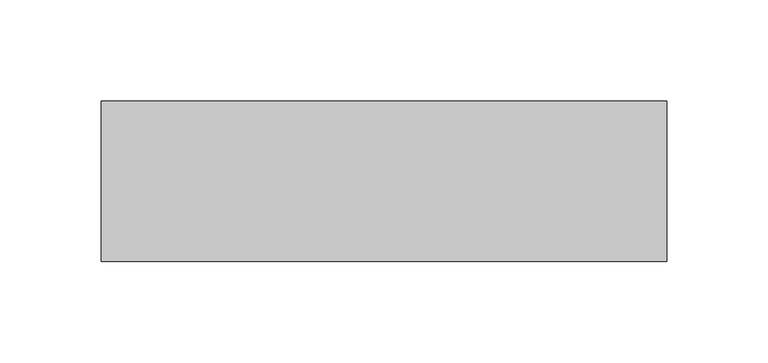
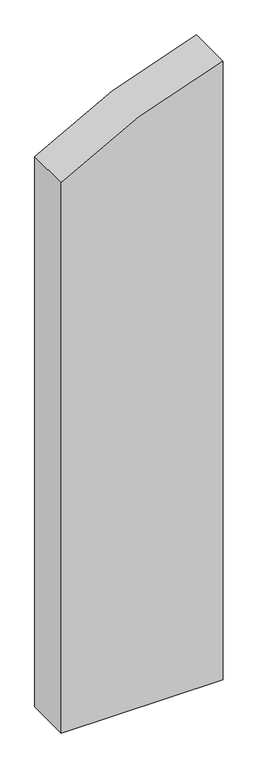
"""IFC4 building model written with IfcOpenShell, lengths in millimetres: proxy geometry."""

from ifc_helpers import new_model, si_unit, point, frame, frame_2d, origin, place, context, project, spatial, polyline, circle_curve, trimmed, segment, composite_curve, outline, extrude, source, transform, mapped, element, save


def generic_models_c44d522d(model_context):
    return source(origin(), model_context, "Body", "SweptSolid", [
        extrude(outline(composite_curve([segment(polyline([(12766.092633, 55282.7280584), (12766.092633, 55562.8460249), (13898.5346487, 55562.8460249)]), True, "CONTINUOUS"), segment(trimmed(circle_curve(frame_2d((12966.1589051, 55810.1437746)), 964.6142774), [point((13898.5346487, 55562.8460249))], [point((13773.8180948, 55282.7280584))], False, "CARTESIAN"), True, "CONTINUOUS"), segment(polyline([(13773.8180948, 55282.7280584), (12766.092633, 55282.7280584)]), True, "CONTINUOUS")], self_intersect=False)), frame((0.0, 121449.6099307, 0.0), z_axis=(0.0, 1.0, 0.0), x_axis=(0.0, 0.0, 1.0)), (0.0, 0.0, 1.0), 79.5368819),
    ])


if __name__ == "__main__":
    model = new_model("IFC4")
    model_context = context("Model", 3, world=origin())
    ifc_project = project(units=[si_unit("LENGTHUNIT", "METRE", prefix="MILLI")], contexts=[model_context])
    site = spatial("IfcSite", under=ifc_project)
    building = spatial("IfcBuilding", under=site)
    placement = place(None, origin())
    generic_models_shape = generic_models_c44d522d(model_context)
    element("IfcBuildingElementProxy", 1, Name="Generic Models", at=placement, inside=building, context=model_context, shape_type="MappedRepresentation", body=[
        mapped(generic_models_shape, transform((0.0, 0.0, 0.0), x_axis=(1.0, 0.0, 0.0), y_axis=(0.0, 1.0, 0.0), z_axis=(0.0, 0.0, 1.0))),
    ])
    save(model, "model.ifc")
